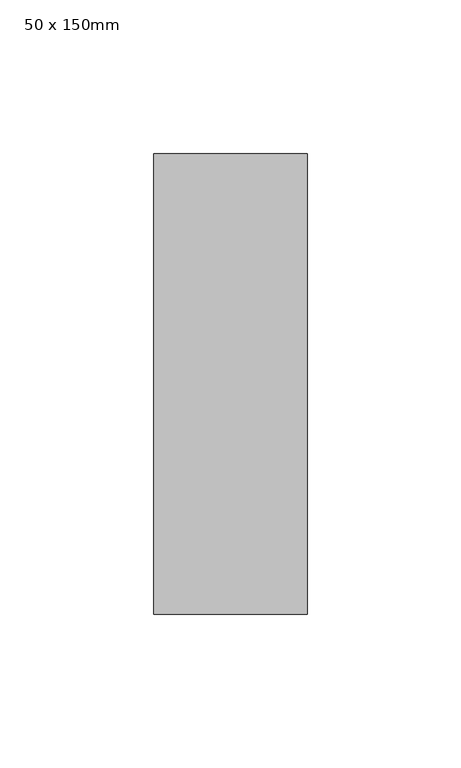
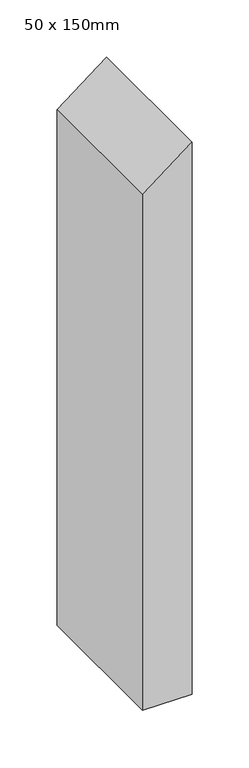
"""IFC4 building model written with IfcOpenShell, lengths in millimetres: member geometry, 50 x 150mm."""

import ifcopenshell
import ifcopenshell.guid

model = None  # the IFC model being written
_history = None  # IfcOwnerHistory: only IFC2X3 demands one
_inside = {}  # id of a spatial element -> (the spatial element, [elements in it])
_under = {}  # id of a project, library or spatial element -> (it, [spatial elements below it])
_declared = {}  # id of a project -> (the project, [libraries it declares])
_typed = {}  # id of a type object -> (the type object, [elements of that type])
_made_of = {}  # id of a material, layer set ... -> (it, [elements and type objects made of it])


def new_model(schema):
    """Start an empty IFC model of exactly this schema.

    Asked for "IFC4X3", IfcOpenShell would pick the latest addendum, in which some entities
    have other attributes; the version numbers below select the first issue.
    IFC2X3 requires an IfcOwnerHistory on every rooted entity: one is made here for all.
    """
    global model, _history
    if schema == "IFC4X3":
        model = ifcopenshell.file(schema_version=(4, 3, 0, 0))
    else:
        model = ifcopenshell.file(schema=schema)
    _inside.clear()
    _under.clear()
    _declared.clear()
    _typed.clear()
    _made_of.clear()
    _history = None
    if model.schema == "IFC2X3":
        org = make("IfcOrganization", Name="unknown")
        user = make(
            "IfcPersonAndOrganization",
            ThePerson=make("IfcPerson", FamilyName="unknown"),
            TheOrganization=org,
        )
        app = make(
            "IfcApplication",
            ApplicationDeveloper=org,
            Version="unknown",
            ApplicationFullName="unknown",
            ApplicationIdentifier="unknown",
        )
        _history = make(
            "IfcOwnerHistory",
            OwningUser=user,
            OwningApplication=app,
            ChangeAction="ADDED",
            CreationDate=0,
        )
    return model


def make(cls, **values):
    """One entity of the class cls with the attributes given. An attribute that is None is left unset."""
    return model.create_entity(
        cls, **{name: value for name, value in values.items() if value is not None}
    )


def rooted(cls, **values):
    """An entity with a GlobalId (a new one), such as an element, a storey or a relation."""
    return make(cls, GlobalId=ifcopenshell.guid.new(), OwnerHistory=_history, **values)


def si_unit(unit_type, name, prefix=None):
    """IfcSIUnit, for example si_unit("LENGTHUNIT", "METRE", prefix="MILLI")."""
    return make("IfcSIUnit", UnitType=unit_type, Prefix=prefix, Name=name)


def assignment(units):
    """IfcUnitAssignment: the units of a project."""
    return None if units is None else make("IfcUnitAssignment", Units=units)


def point(xyz):
    """IfcCartesianPoint."""
    return None if xyz is None else make("IfcCartesianPoint", Coordinates=xyz)


def direction(xyz):
    """IfcDirection."""
    return None if xyz is None else make("IfcDirection", DirectionRatios=xyz)


def frame(location, z_axis=None, x_axis=None):
    """IfcAxis2Placement3D, a coordinate frame: its origin and axes. An axis left out is left unset."""
    return make(
        "IfcAxis2Placement3D",
        Location=point(location),
        Axis=direction(z_axis),
        RefDirection=direction(x_axis),
    )


def origin():
    """The frame at (0, 0, 0) with its axes left unset."""
    return frame((0.0, 0.0, 0.0))


def place(relative_to, where):
    """IfcLocalPlacement: puts the frame where relative to a parent placement (None: the world)."""
    return make(
        "IfcLocalPlacement", PlacementRelTo=relative_to, RelativePlacement=where
    )


def context(
    kind, dimensions, precision=None, world=None, true_north=None, identifier=None
):
    """IfcGeometricRepresentationContext, for example the 3D "Model" context."""
    return make(
        "IfcGeometricRepresentationContext",
        ContextIdentifier=identifier,
        ContextType=kind,
        CoordinateSpaceDimension=dimensions,
        Precision=precision,
        WorldCoordinateSystem=world,
        TrueNorth=true_north,
    )


def project(units=None, contexts=None):
    """IfcProject with its units and contexts."""
    return rooted(
        "IfcProject",
        Name="project",
        RepresentationContexts=contexts,
        UnitsInContext=assignment(units),
    )


def spatial(cls, under=None, at=None, **own):
    """A site, building, storey or space (cls), placed at a placement, below another one or the project."""
    s = rooted(cls, ObjectPlacement=at, **own)
    if under is not None:
        _under.setdefault(under.id(), (under, []))[1].append(s)
    return s


def polyline(points):
    """IfcPolyline through the points."""
    return make("IfcPolyline", Points=[point(p) for p in points])


def outline(outer, holes=None, kind="AREA"):
    """IfcArbitraryClosedProfileDef: a profile drawn as a closed curve; with holes, ...WithVoids."""
    if holes is None:
        return make("IfcArbitraryClosedProfileDef", ProfileType=kind, OuterCurve=outer)
    return make(
        "IfcArbitraryProfileDefWithVoids",
        ProfileType=kind,
        OuterCurve=outer,
        InnerCurves=holes,
    )


def extrude(swept, where, along, depth):
    """IfcExtrudedAreaSolid: the profile swept, set in the frame where, extruded along a direction by depth."""
    return make(
        "IfcExtrudedAreaSolid",
        SweptArea=swept,
        Position=where,
        ExtrudedDirection=direction(along),
        Depth=depth,
    )


def shape(context_of_items, identifier, shape_type, items):
    """IfcShapeRepresentation: the items that make up one representation, for example the "Body"."""
    return make(
        "IfcShapeRepresentation",
        ContextOfItems=context_of_items,
        RepresentationIdentifier=identifier,
        RepresentationType=shape_type,
        Items=items,
    )


def source(mapping_origin, context_of_items, identifier, shape_type, items):
    """IfcRepresentationMap: a shape defined once, which mapped items show again and again."""
    return make(
        "IfcRepresentationMap",
        MappingOrigin=mapping_origin,
        MappedRepresentation=shape(context_of_items, identifier, shape_type, items),
    )


def transform(
    local_origin,
    x_axis=None,
    y_axis=None,
    z_axis=None,
    scale=None,
    scale2=None,
    scale3=None,
    uniform=True,
):
    """IfcCartesianTransformationOperator3D, or its non-uniform kind. x_axis, y_axis, z_axis: its Axis1, 2, 3."""
    if uniform:
        return make(
            "IfcCartesianTransformationOperator3D",
            Axis1=direction(x_axis),
            Axis2=direction(y_axis),
            LocalOrigin=point(local_origin),
            Scale=scale,
            Axis3=direction(z_axis),
        )
    return make(
        "IfcCartesianTransformationOperator3DnonUniform",
        Axis1=direction(x_axis),
        Axis2=direction(y_axis),
        LocalOrigin=point(local_origin),
        Scale=scale,
        Axis3=direction(z_axis),
        Scale2=scale2,
        Scale3=scale3,
    )


def mapped(mapping_source, mapping_target):
    """IfcMappedItem: shows the shape of a source again, moved by a transform."""
    return make(
        "IfcMappedItem", MappingSource=mapping_source, MappingTarget=mapping_target
    )


def made_of(thing, what):
    """Note that an element or type object is made of a material, layer set ...; save() writes the relation."""
    if what is not None:
        _made_of.setdefault(what.id(), (what, []))[1].append(thing)
    return thing


def element(
    cls,
    number,
    at=None,
    inside=None,
    cuts=None,
    type_object=None,
    material=None,
    context=None,
    identifier="Body",
    shape_type=None,
    held_by="IfcProductDefinitionShape",
    body=None,
    shapes=None,
    **own,
):
    """One element of the class cls, such as IfcWall. Its Tag is "e" and its number.

    at: its placement. inside: the storey or other place that contains it. cuts: it is an
    opening in that element (IfcRelVoidsElement). A single representation is given by context,
    identifier, shape_type and body (its items); several are given by shapes. held_by: the class
    of the entity that holds the representations. save() writes the other relations.
    """
    e = rooted(cls, Tag="e%d" % number, ObjectPlacement=at, **own)
    if body is not None:
        shapes = [shape(context, identifier, shape_type, body)]
    if shapes is not None:
        e.Representation = make(held_by, Representations=shapes)
    if inside is not None:
        _inside.setdefault(inside.id(), (inside, []))[1].append(e)
    if cuts is not None:
        rooted(
            "IfcRelVoidsElement", RelatingBuildingElement=cuts, RelatedOpeningElement=e
        )
    if type_object is not None:
        _typed.setdefault(type_object.id(), (type_object, []))[1].append(e)
    return made_of(e, material)


def aggregate(whole, parts):
    """IfcRelAggregates: a whole, such as a stair, and the parts it consists of."""
    return rooted("IfcRelAggregates", RelatingObject=whole, RelatedObjects=parts)


def save(model, path):
    """Write the relations noted so far, then the file.

    IfcRelAggregates (storeys below a building ...), IfcRelContainedInSpatialStructure (elements
    in a storey), IfcRelDefinesByType, IfcRelAssociatesMaterial and IfcRelDeclares: one each for
    every whole, place, type object, material and project.
    """
    for whole, parts in _under.values():
        aggregate(whole, parts)
    for where, things in _inside.values():
        rooted(
            "IfcRelContainedInSpatialStructure",
            RelatedElements=things,
            RelatingStructure=where,
        )
    for kind, things in _typed.values():
        rooted("IfcRelDefinesByType", RelatedObjects=things, RelatingType=kind)
    for what, things in _made_of.values():
        rooted("IfcRelAssociatesMaterial", RelatedObjects=things, RelatingMaterial=what)
    for by, libraries in _declared.values():
        rooted("IfcRelDeclares", RelatingContext=by, RelatedDefinitions=libraries)
    model.write(path)


def member_50_x_150mm_05dfdb32(model_context):
    return source(origin(), model_context, "Body", "SweptSolid", [
        extrude(outline(polyline([(0.0, 0.0), (-38.553421, -50.0), (-590.3939089, -50.0), (-590.3939089, 0.0), (0.0, 0.0)])), frame((0.0, -75.0, 0.0), z_axis=(0.0, 1.0, 0.0), x_axis=(0.0, 0.0, 1.0)), (0.0, 0.0, 1.0), 150.0),
    ])


if __name__ == "__main__":
    model = new_model("IFC4")
    model_context = context("Model", 3, world=origin())
    ifc_project = project(units=[si_unit("LENGTHUNIT", "METRE", prefix="MILLI")], contexts=[model_context])
    site = spatial("IfcSite", under=ifc_project)
    building = spatial("IfcBuilding", under=site)
    placement = place(None, origin())
    member_50_x_150mm_shape = member_50_x_150mm_05dfdb32(model_context)
    element("IfcMember", 1, ObjectType="50 x 150mm", at=placement, inside=building, context=model_context, shape_type="MappedRepresentation", body=[
        mapped(member_50_x_150mm_shape, transform((0.0, 0.0, 0.0), x_axis=(1.0, 0.0, 0.0), y_axis=(0.0, 1.0, 0.0), z_axis=(0.0, 0.0, 1.0))),
    ])
    save(model, "model.ifc")
